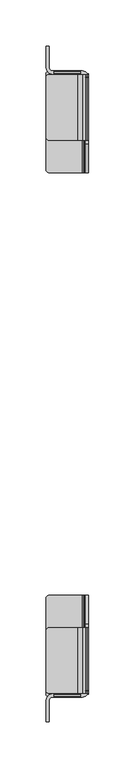
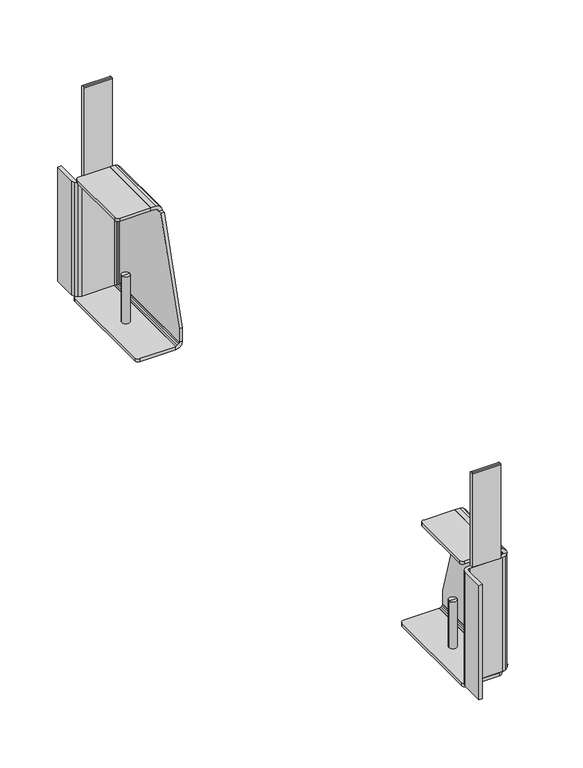
"""IFC4 building model written with IfcOpenShell, lengths in millimetres: furniture geometry."""

from ifc_helpers import new_model, si_unit, point, frame, frame_2d, origin, place, context, project, spatial, polyline, circle_curve, trimmed, segment, composite_curve, outline, extrude, source, transform, mapped, element, save
from ifc_brep_helpers import plane_surface, cylinder_surface, revolved_surface, advanced_brep


def furniture_5e026501(model_context):
    return source(origin(), model_context, "Body", "SolidModel", [
        advanced_brep(
        [(13.0100237, 664.5429429, 60.1980016), (13.0100237, 664.5429429, 7.8739999), (21.0110252, 664.5429429, 7.8739999), (21.0110252, 664.5429429, 60.1980016), (4.3105184, 664.5429429, 7.8739999), (29.7105305, 664.5429429, 7.8739999), (4.3105184, 664.5429429, 2.6834552), (29.7105305, 664.5429429, 2.6834552), (17.0105244, 664.5429429, 0.0), (17.0105244, 664.5429429, 60.1980016)],
        [
            (0, 1),
            (1, 2, circle_curve(frame((17.0105244, 664.5429429, 7.8739999), z_axis=(0.0, 0.0, 1.0), x_axis=(1.0, 0.0, 0.0)), 4.0005007)),
            (2, 3),
            (3, 0, circle_curve(frame((17.0105244, 664.5429429, 60.1980016), z_axis=(0.0, 0.0, -1.0), x_axis=(1.0, 0.0, 0.0)), 4.0005007)),
            (2, 1, circle_curve(frame((17.0105244, 664.5429429, 7.8739999), z_axis=(0.0, 0.0, 1.0), x_axis=(1.0, 0.0, 0.0)), 4.0005007)),
            (0, 3, circle_curve(frame((17.0105244, 664.5429429, 60.1980016), z_axis=(0.0, 0.0, -1.0), x_axis=(1.0, 0.0, 0.0)), 4.0005007)),
            (1, 4),
            (4, 5, circle_curve(frame((17.0105244, 664.5429429, 7.8739999), z_axis=(0.0, 0.0, 1.0), x_axis=(1.0, 0.0, 0.0)), 12.7000061)),
            (5, 2),
            (5, 4, circle_curve(frame((17.0105244, 664.5429429, 7.8739999), z_axis=(0.0, 0.0, 1.0), x_axis=(1.0, 0.0, 0.0)), 12.7000061)),
            (4, 6),
            (6, 7, circle_curve(frame((17.0105244, 664.5429429, 2.6834552), z_axis=(0.0, 0.0, 1.0), x_axis=(1.0, 0.0, 0.0)), 12.7000061)),
            (7, 5),
            (7, 6, circle_curve(frame((17.0105244, 664.5429429, 2.6834552), z_axis=(0.0, 0.0, 1.0), x_axis=(1.0, 0.0, 0.0)), 12.7000061)),
            (6, 8),
            (8, 7),
            (9, 0),
            (3, 9),
        ],
        [
            cylinder_surface(frame((17.0105244, 664.5429429, 60.1980016), z_axis=(0.0, 0.0, 1.0), x_axis=(1.0, 0.0, 0.0)), 4.0005007),
            plane_surface(frame((17.0105244, 664.5429429, 7.8739999), z_axis=(0.0, 0.0, 1.0), x_axis=(1.0, 0.0, 0.0))),
            cylinder_surface(frame((17.0105244, 664.5429429, 60.1980016), z_axis=(0.0, 0.0, 1.0), x_axis=(1.0, 0.0, 0.0)), 12.7000061),
            revolved_surface(polyline([(17.0105244, 664.5429429, 0.0), (29.7105305, 664.5429429, 2.6834552)]), (17.0105244, 664.5429429, 60.1980016), (0.0, 0.0, 1.0)),
            plane_surface(frame((17.0105244, 664.5429429, 60.1980016), z_axis=(0.0, 0.0, 1.0), x_axis=(1.0, 0.0, 0.0))),
        ],
        [
            (0, [[1, 2, 3, 4]]),
            (0, [[-3, 5, -1, 6]]),
            (1, [[7, 8, 9, -2]]),
            (1, [[-9, 10, -7, -5]]),
            (2, [[11, 12, 13, -8]]),
            (2, [[-13, 14, -11, -10]]),
            (3, [[15, 16, -12]]),
            (3, [[-16, -15, -14]]),
            (4, [[17, -4, 18]]),
            (4, [[-18, -6, -17]]),
        ],
    ),
        extrude(outline(composite_curve([segment(polyline([(719.5627217, 230.4538722), (719.5627217, 131.8643803), (716.1467192, 131.8643803), (716.1467192, 230.4538722)]), True, "CONTINUOUS"), segment(trimmed(circle_curve(frame_2d((717.1627192, 230.4538722)), 1.016), [point((716.1467192, 230.4538722))], [point((717.1627192, 231.4698722))], False, "CARTESIAN"), True, "CONTINUOUS"), segment(polyline([(717.1627192, 231.4698722), (718.5467217, 231.4698722)]), True, "CONTINUOUS"), segment(trimmed(circle_curve(frame_2d((718.5467217, 230.4538722)), 1.016), [point((718.5467217, 231.4698722))], [point((719.5627217, 230.4538722))], False, "CARTESIAN"), True, "CONTINUOUS")], self_intersect=False)), frame((4.68525, 0.0, 0.0), z_axis=(1.0, 0.0, 0.0), x_axis=(0.0, 1.0, 0.0)), (0.0, 0.0, 1.0), 28.5999996),
        extrude(outline(polyline([(41.9392499, 712.8467208), (38.523252, 712.8467208), (38.0978806, 714.5592207), (36.935749, 715.72135), (35.3482505, 716.1467192), (2.62225, 716.1467192), (-0.6732499, 717.0297458), (-3.0857234, 719.4422212), (-3.96875, 722.7377186), (-3.96875, 746.1467208), (-0.5527499, 746.1467208), (-0.5527499, 722.7377186), (-0.1273806, 721.1502201), (1.0347501, 719.9880909), (2.62225, 719.5627217), (35.3482505, 719.5627217), (38.6437479, 718.6796951), (41.0562233, 716.2672197), (41.9392499, 712.8467208)])), frame((0.0, 0.0, 11.1695001), z_axis=(0.0, 0.0, 1.0), x_axis=(1.0, 0.0, 0.0)), (0.0, 0.0, 1.0), 120.6948801),
        extrude(outline(polyline([(131.8643803, 38.523252), (131.8643803, 41.9392499), (135.1598732, 41.0562233), (137.5723531, 38.6437479), (138.4553751, 35.3482505), (138.4553751, 30.5848376), (135.0393773, 30.5848376), (135.0393773, 35.3482505), (134.6140126, 36.9357467), (133.4518742, 38.0978828), (131.8643803, 38.523252)])), frame((0.0, 644.5627165, 0.0), z_axis=(0.0, 1.0, 0.0), x_axis=(0.0, 0.0, 1.0)), (0.0, 0.0, 1.0), 71.084006),
        extrude(outline(composite_curve([segment(polyline([(30.5848376, 644.5627165), (-0.79375, 644.5627165)]), True, "CONTINUOUS"), segment(trimmed(circle_curve(frame_2d((-0.79375, 647.7377165)), 3.175), [point((-0.79375, 644.5627165))], [point((-3.96875, 647.7377165))], False, "CARTESIAN"), True, "CONTINUOUS"), segment(polyline([(-3.96875, 647.7377165), (-3.96875, 712.4717225)]), True, "CONTINUOUS"), segment(trimmed(circle_curve(frame_2d((-0.79375, 712.4717225)), 3.175), [point((-3.96875, 712.4717225))], [point((-0.79375, 715.6467225))], False, "CARTESIAN"), True, "CONTINUOUS"), segment(polyline([(-0.79375, 715.6467225), (30.5848376, 715.6467225), (30.5848376, 644.5627165)]), True, "CONTINUOUS")], self_intersect=False)), frame((0.0, 0.0, 135.1598732), z_axis=(0.0, 0.0, 1.0), x_axis=(1.0, 0.0, 0.0)), (0.0, 0.0, 1.0), 3.295502),
        extrude(outline(polyline([(11.1695001, 35.3482505), (7.8739999, 35.3482505), (8.7570259, 38.6437479), (11.1695001, 41.0562233), (14.4649998, 41.9392499), (14.4649998, 38.523252), (12.8774991, 38.0978806), (11.7153687, 36.935749), (11.1695001, 35.3482505)])), frame((0.0, 609.5627181, 0.0), z_axis=(0.0, 1.0, 0.0), x_axis=(0.0, 0.0, 1.0)), (0.0, 0.0, 1.0), 106.8250036),
        extrude(outline(composite_curve([segment(polyline([(35.3482505, 609.5627181), (-0.79375, 609.5627181)]), True, "CONTINUOUS"), segment(trimmed(circle_curve(frame_2d((-0.79375, 612.7377181)), 3.175), [point((-0.79375, 609.5627181))], [point((-3.96875, 612.7377181))], False, "CARTESIAN"), True, "CONTINUOUS"), segment(polyline([(-3.96875, 612.7377181), (-3.96875, 716.3877217)]), True, "CONTINUOUS"), segment(trimmed(circle_curve(frame_2d((-0.79375, 716.3877217)), 3.175), [point((-3.96875, 716.3877217))], [point((-0.79375, 719.5627217))], False, "CARTESIAN"), True, "CONTINUOUS"), segment(polyline([(-0.79375, 719.5627217), (32.1732505, 719.5627217)]), True, "CONTINUOUS"), segment(trimmed(circle_curve(frame_2d((32.1732505, 716.3877217)), 3.175), [point((32.1732505, 719.5627217))], [point((35.3482505, 716.3877217))], False, "CARTESIAN"), True, "CONTINUOUS"), segment(polyline([(35.3482505, 716.3877217), (35.3482505, 609.5627181)]), True, "CONTINUOUS")], self_intersect=False)), frame((0.0, 0.0, 7.8733776), z_axis=(0.0, 0.0, 1.0), x_axis=(1.0, 0.0, 0.0)), (0.0, 0.0, 1.0), 3.2961225),
        extrude(outline(polyline([(609.5627181, 14.4643776), (609.5627181, 28.593982), (640.9928309, 131.8643803), (712.8467208, 131.8643803), (712.9717223, 14.4643776), (609.5627181, 14.4643776)])), frame((38.523252, 0.0, 0.0), z_axis=(1.0, 0.0, 0.0), x_axis=(0.0, 1.0, 0.0)), (0.0, 0.0, 1.0), 3.4159979),
        advanced_brep(
        [(13.0100237, 97.8166502, 60.1980016), (21.0110252, 97.8166502, 60.1980016), (21.0110252, 97.8166502, 7.8739999), (13.0100237, 97.8166502, 7.8739999), (29.7105305, 97.8166502, 7.8739999), (4.3105184, 97.8166502, 7.8739999), (29.7105305, 97.8166502, 2.6834552), (4.3105184, 97.8166502, 2.6834552), (17.0105244, 97.8166502, 0.0), (17.0105244, 97.8166502, 60.1980016)],
        [
            (0, 1, circle_curve(frame((17.0105244, 97.8166502, 60.1980016), z_axis=(0.0, 0.0, -1.0), x_axis=(1.0, 0.0, 0.0)), 4.0005007)),
            (1, 2),
            (2, 3, circle_curve(frame((17.0105244, 97.8166502, 7.8739999), z_axis=(0.0, 0.0, 1.0), x_axis=(1.0, 0.0, 0.0)), 4.0005007)),
            (3, 0),
            (1, 0, circle_curve(frame((17.0105244, 97.8166502, 60.1980016), z_axis=(0.0, 0.0, -1.0), x_axis=(1.0, 0.0, 0.0)), 4.0005007)),
            (3, 2, circle_curve(frame((17.0105244, 97.8166502, 7.8739999), z_axis=(0.0, 0.0, 1.0), x_axis=(1.0, 0.0, 0.0)), 4.0005007)),
            (2, 4),
            (4, 5, circle_curve(frame((17.0105244, 97.8166502, 7.8739999), z_axis=(0.0, 0.0, 1.0), x_axis=(1.0, 0.0, 0.0)), 12.7000061)),
            (5, 3),
            (5, 4, circle_curve(frame((17.0105244, 97.8166502, 7.8739999), z_axis=(0.0, 0.0, 1.0), x_axis=(1.0, 0.0, 0.0)), 12.7000061)),
            (4, 6),
            (6, 7, circle_curve(frame((17.0105244, 97.8166502, 2.6834552), z_axis=(0.0, 0.0, 1.0), x_axis=(1.0, 0.0, 0.0)), 12.7000061)),
            (7, 5),
            (7, 6, circle_curve(frame((17.0105244, 97.8166502, 2.6834552), z_axis=(0.0, 0.0, 1.0), x_axis=(1.0, 0.0, 0.0)), 12.7000061)),
            (6, 8),
            (8, 7),
            (9, 1),
            (0, 9),
        ],
        [
            cylinder_surface(frame((17.0105244, 97.8166502, 60.1980016), z_axis=(0.0, 0.0, 1.0), x_axis=(1.0, 0.0, 0.0)), 4.0005007),
            plane_surface(frame((17.0105244, 97.8166502, 7.8739999), z_axis=(0.0, 0.0, 1.0), x_axis=(1.0, 0.0, 0.0))),
            cylinder_surface(frame((17.0105244, 97.8166502, 60.1980016), z_axis=(0.0, 0.0, 1.0), x_axis=(1.0, 0.0, 0.0)), 12.7000061),
            revolved_surface(polyline([(17.0105244, 97.8166502, 0.0), (29.7105305, 97.8166502, 2.6834552)]), (17.0105244, 97.8166502, 60.1980016), (0.0, 0.0, 1.0)),
            plane_surface(frame((17.0105244, 97.8166502, 60.1980016), z_axis=(0.0, 0.0, 1.0), x_axis=(1.0, 0.0, 0.0))),
        ],
        [
            (0, [[1, 2, 3, 4]]),
            (0, [[5, -4, 6, -2]]),
            (1, [[-3, 7, 8, 9]]),
            (1, [[-6, -9, 10, -7]]),
            (2, [[-8, 11, 12, 13]]),
            (2, [[-10, -13, 14, -11]]),
            (3, [[-12, 15, 16]]),
            (3, [[-14, -16, -15]]),
            (4, [[17, -1, 18]]),
            (4, [[-18, -5, -17]]),
        ],
    ),
        extrude(outline(composite_curve([segment(trimmed(circle_curve(frame_2d((43.8128714, 230.4538722)), 1.016), [point((42.7968714, 230.4538722))], [point((43.8128714, 231.4698722))], False, "CARTESIAN"), True, "CONTINUOUS"), segment(polyline([(43.8128714, 231.4698722), (45.1968739, 231.4698722)]), True, "CONTINUOUS"), segment(trimmed(circle_curve(frame_2d((45.1968739, 230.4538722)), 1.016), [point((45.1968739, 231.4698722))], [point((46.2128739, 230.4538722))], False, "CARTESIAN"), True, "CONTINUOUS"), segment(polyline([(46.2128739, 230.4538722), (46.2128739, 131.8643803), (42.7968714, 131.8643803), (42.7968714, 230.4538722)]), True, "CONTINUOUS")], self_intersect=False)), frame((4.68525, 0.0, 0.0), z_axis=(1.0, 0.0, 0.0), x_axis=(0.0, 1.0, 0.0)), (0.0, 0.0, 1.0), 28.5999996),
        extrude(outline(polyline([(41.9392499, 49.5128723), (41.0562233, 46.0923734), (38.6437479, 43.679898), (35.3482505, 42.7968714), (2.62225, 42.7968714), (1.0347501, 42.3715022), (-0.1273806, 41.2093729), (-0.5527499, 39.6218745), (-0.5527499, 16.2128723), (-3.96875, 16.2128723), (-3.96875, 39.6218745), (-3.0857234, 42.9173719), (-0.6732499, 45.3298473), (2.62225, 46.2128739), (35.3482505, 46.2128739), (36.935749, 46.6382431), (38.0978806, 47.8003724), (38.523252, 49.5128723), (41.9392499, 49.5128723)])), frame((0.0, 0.0, 11.1695001), z_axis=(0.0, 0.0, 1.0), x_axis=(1.0, 0.0, 0.0)), (0.0, 0.0, 1.0), 120.6948801),
        extrude(outline(polyline([(131.8643803, 38.523252), (131.8643803, 41.9392499), (135.1598732, 41.0562233), (137.5723531, 38.6437479), (138.4553751, 35.3482505), (138.4553751, 30.5848376), (135.0393773, 30.5848376), (135.0393773, 35.3482505), (134.6140126, 36.9357467), (133.4518742, 38.0978828), (131.8643803, 38.523252)])), frame((0.0, 46.7128706, 0.0), z_axis=(0.0, 1.0, 0.0), x_axis=(0.0, 0.0, 1.0)), (0.0, 0.0, 1.0), 71.084006),
        extrude(outline(composite_curve([segment(polyline([(30.5848376, 117.7968765), (30.5848376, 46.7128706), (-0.79375, 46.7128706)]), True, "CONTINUOUS"), segment(trimmed(circle_curve(frame_2d((-0.79375, 49.8878706)), 3.175), [point((-0.79375, 46.7128706))], [point((-3.96875, 49.8878706))], False, "CARTESIAN"), True, "CONTINUOUS"), segment(polyline([(-3.96875, 49.8878706), (-3.96875, 114.6218765)]), True, "CONTINUOUS"), segment(trimmed(circle_curve(frame_2d((-0.79375, 114.6218765)), 3.175), [point((-3.96875, 114.6218765))], [point((-0.79375, 117.7968765))], False, "CARTESIAN"), True, "CONTINUOUS"), segment(polyline([(-0.79375, 117.7968765), (30.5848376, 117.7968765)]), True, "CONTINUOUS")], self_intersect=False)), frame((0.0, 0.0, 135.1598732), z_axis=(0.0, 0.0, 1.0), x_axis=(1.0, 0.0, 0.0)), (0.0, 0.0, 1.0), 3.295502),
        extrude(outline(polyline([(11.1695001, 35.3482505), (7.8739999, 35.3482505), (8.7570259, 38.6437479), (11.1695001, 41.0562233), (14.4649998, 41.9392499), (14.4649998, 38.523252), (12.8774991, 38.0978806), (11.7153687, 36.935749), (11.1695001, 35.3482505)])), frame((0.0, 45.9718714, 0.0), z_axis=(0.0, 1.0, 0.0), x_axis=(0.0, 0.0, 1.0)), (0.0, 0.0, 1.0), 106.8250036),
        extrude(outline(composite_curve([segment(polyline([(35.3482505, 152.796875), (35.3482505, 45.9718714)]), True, "CONTINUOUS"), segment(trimmed(circle_curve(frame_2d((32.1732505, 45.9718714)), 3.175), [point((35.3482505, 45.9718714))], [point((32.1732505, 42.7968714))], False, "CARTESIAN"), True, "CONTINUOUS"), segment(polyline([(32.1732505, 42.7968714), (-0.79375, 42.7968714)]), True, "CONTINUOUS"), segment(trimmed(circle_curve(frame_2d((-0.79375, 45.9718714)), 3.175), [point((-0.79375, 42.7968714))], [point((-3.96875, 45.9718714))], False, "CARTESIAN"), True, "CONTINUOUS"), segment(polyline([(-3.96875, 45.9718714), (-3.96875, 149.621875)]), True, "CONTINUOUS"), segment(trimmed(circle_curve(frame_2d((-0.79375, 149.621875)), 3.175), [point((-3.96875, 149.621875))], [point((-0.79375, 152.796875))], False, "CARTESIAN"), True, "CONTINUOUS"), segment(polyline([(-0.79375, 152.796875), (35.3482505, 152.796875)]), True, "CONTINUOUS")], self_intersect=False)), frame((0.0, 0.0, 7.8733776), z_axis=(0.0, 0.0, 1.0), x_axis=(1.0, 0.0, 0.0)), (0.0, 0.0, 1.0), 3.2961225),
        extrude(outline(polyline([(152.796875, 14.4643776), (49.3878708, 14.4643776), (49.5128723, 131.8643803), (121.3667622, 131.8643803), (152.796875, 28.593982), (152.796875, 14.4643776)])), frame((38.523252, 0.0, 0.0), z_axis=(1.0, 0.0, 0.0), x_axis=(0.0, 1.0, 0.0)), (0.0, 0.0, 1.0), 3.4159979),
    ])


if __name__ == "__main__":
    model = new_model("IFC4")
    model_context = context("Model", 3, world=origin())
    ifc_project = project(units=[si_unit("LENGTHUNIT", "METRE", prefix="MILLI")], contexts=[model_context])
    site = spatial("IfcSite", under=ifc_project)
    building = spatial("IfcBuilding", under=site)
    placement = place(None, origin())
    furniture_shape = furniture_5e026501(model_context)
    element("IfcFurniture", 1, at=placement, inside=building, context=model_context, shape_type="MappedRepresentation", body=[
        mapped(furniture_shape, transform((0.0, 0.0, 0.0), x_axis=(1.0, 0.0, 0.0), y_axis=(0.0, 1.0, 0.0), z_axis=(0.0, 0.0, 1.0))),
    ])
    save(model, "model.ifc")
